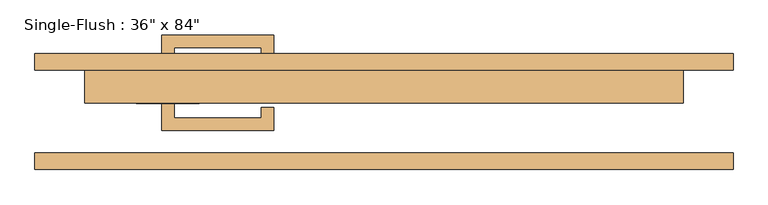
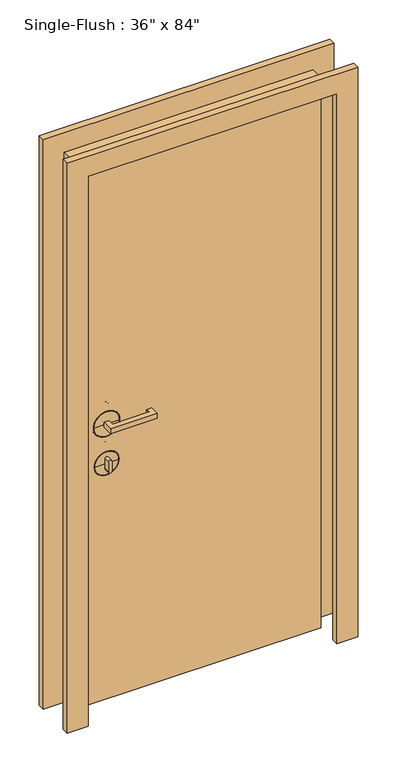
"""IFC4 building model written with IfcOpenShell, lengths in millimetres: door geometry."""

from ifc_helpers import new_model, si_unit, point, frame, frame_2d, origin, origin_with_axes, place, context, project, spatial, polyline, circle_curve, ellipse_curve, trimmed, segment, composite_curve, outline, extrude, source, transform, mapped, element, save
from ifc_brep_helpers import plane_surface, cylinder_surface, revolved_surface, advanced_brep


def door_73c35933(model_context):
    return source(origin(), model_context, "Body", "SolidModel", [
        extrude(outline(polyline([(-320.675, 12.7), (-320.675, -9.525), (-187.325, -9.525), (-187.325, 6.35), (-168.275, 6.35), (-168.275, -28.575), (-339.725, -28.575), (-339.725, 12.7), (-320.675, 12.7)])), frame((0.0, 0.0, 1057.275), z_axis=(0.0, 0.0, 1.0), x_axis=(1.0, 0.0, 0.0)), (0.0, 0.0, 1.0), 19.05),
        extrude(outline(composite_curve([segment(trimmed(circle_curve(frame_2d((895.35, -330.2)), 6.35), [point((895.35, -336.55))], [point((895.35, -323.85))], False, "CARTESIAN"), True, "CONTINUOUS"), segment(polyline([(895.35, -323.85), (933.45, -323.85)]), True, "CONTINUOUS"), segment(trimmed(circle_curve(frame_2d((933.45, -330.2)), 6.35), [point((933.45, -323.85))], [point((933.45, -336.55))], False, "CARTESIAN"), True, "CONTINUOUS"), segment(polyline([(933.45, -336.55), (895.35, -336.55)]), True, "CONTINUOUS")], self_intersect=False)), frame((0.0, -9.525, 0.0), z_axis=(0.0, 1.0, 0.0), x_axis=(0.0, 0.0, 1.0)), (0.0, 0.0, 1.0), 22.225),
        advanced_brep(
        [(-282.575, 15.875, 914.4), (-282.575, 25.4, 914.4), (-377.825, 25.4, 914.4), (-377.825, 15.875, 914.4), (-285.75, 12.7, 914.4), (-374.65, 12.7, 914.4), (-330.2, 12.7, 914.4), (-330.2, 25.4, 914.4)],
        [
            (0, 1),
            (1, 2, circle_curve(frame((-330.2, 25.4, 914.4), z_axis=(0.0, -1.0, 0.0), x_axis=(-1.0, 0.0, 0.0)), 47.625)),
            (2, 3),
            (3, 0, circle_curve(frame((-330.2, 15.875, 914.4), z_axis=(0.0, 1.0, 0.0), x_axis=(-1.0, 0.0, 0.0)), 47.625)),
            (2, 1, circle_curve(frame((-330.2, 25.4, 914.4), z_axis=(0.0, -1.0, 0.0), x_axis=(-1.0, 0.0, 0.0)), 47.625)),
            (0, 3, circle_curve(frame((-330.2, 15.875, 914.4), z_axis=(0.0, 1.0, 0.0), x_axis=(-1.0, 0.0, 0.0)), 47.625)),
            (4, 0, circle_curve(frame((-285.75, 15.875, 914.4), z_axis=(0.0, 0.0, 1.0), x_axis=(-1.0, 0.0, 0.0)), 3.175)),
            (3, 5, circle_curve(frame((-374.65, 15.875, 914.4), z_axis=(0.0, 0.0, 1.0), x_axis=(1.0, 0.0, 0.0)), 3.175)),
            (5, 4, circle_curve(frame((-330.2, 12.7, 914.4), z_axis=(0.0, 1.0, 0.0), x_axis=(-1.0, 0.0, 0.0)), 44.45)),
            (4, 5, circle_curve(frame((-330.2, 12.7, 914.4), z_axis=(0.0, 1.0, 0.0), x_axis=(-1.0, 0.0, 0.0)), 44.45)),
            (6, 4),
            (5, 6),
            (1, 7),
            (7, 2),
        ],
        [
            cylinder_surface(frame((-330.2, 152.4, 914.4), z_axis=(0.0, -1.0, 0.0), x_axis=(-1.0, 0.0, 0.0)), 47.625),
            revolved_surface(trimmed(ellipse_curve(frame((-374.65, 15.875, 914.4), z_axis=(0.0, 0.0, 1.0), x_axis=(1.0, 0.0, 0.0)), 3.175, 3.175), [point((-377.825, 15.875, 914.4))], [point((-374.65, 12.7, 914.4))], True, "CARTESIAN"), (-330.2, 152.4, 914.4), (0.0, -1.0, 0.0)),
            plane_surface(frame((-330.2, 12.7, 914.4), z_axis=(0.0, -1.0, 0.0), x_axis=(-1.0, 0.0, 0.0))),
            plane_surface(frame((-330.2, 25.4, 914.4), z_axis=(0.0, 1.0, 0.0), x_axis=(-1.0, 0.0, 0.0))),
        ],
        [
            (0, [[1, 2, 3, 4]]),
            (0, [[-3, 5, -1, 6]]),
            (1, [[7, -4, 8, 9]]),
            (1, [[-8, -6, -7, 10]]),
            (2, [[11, -9, 12]]),
            (2, [[-12, -10, -11]]),
            (3, [[13, 14, -2]]),
            (3, [[-14, -13, -5]]),
        ],
    ),
        advanced_brep(
        [(-279.4, 15.875, 1066.8), (-279.4, 25.4, 1066.8), (-381.0, 25.4, 1066.8), (-381.0, 15.875, 1066.8), (-282.575, 12.7, 1066.8), (-377.825, 12.7, 1066.8), (-330.2, 12.7, 1066.8), (-330.2, 25.4, 1066.8)],
        [
            (0, 1),
            (1, 2, circle_curve(frame((-330.2, 25.4, 1066.8), z_axis=(0.0, -1.0, 0.0), x_axis=(-1.0, 0.0, 0.0)), 50.8)),
            (2, 3),
            (3, 0, circle_curve(frame((-330.2, 15.875, 1066.8), z_axis=(0.0, 1.0, 0.0), x_axis=(-1.0, 0.0, 0.0)), 50.8)),
            (2, 1, circle_curve(frame((-330.2, 25.4, 1066.8), z_axis=(0.0, -1.0, 0.0), x_axis=(-1.0, 0.0, 0.0)), 50.8)),
            (0, 3, circle_curve(frame((-330.2, 15.875, 1066.8), z_axis=(0.0, 1.0, 0.0), x_axis=(-1.0, 0.0, 0.0)), 50.8)),
            (4, 0, circle_curve(frame((-282.575, 15.875, 1066.8), z_axis=(0.0, 0.0, 1.0), x_axis=(-1.0, 0.0, 0.0)), 3.175)),
            (3, 5, circle_curve(frame((-377.825, 15.875, 1066.8), z_axis=(0.0, 0.0, 1.0), x_axis=(1.0, 0.0, 0.0)), 3.175)),
            (5, 4, circle_curve(frame((-330.2, 12.7, 1066.8), z_axis=(0.0, 1.0, 0.0), x_axis=(-1.0, 0.0, 0.0)), 47.625)),
            (4, 5, circle_curve(frame((-330.2, 12.7, 1066.8), z_axis=(0.0, 1.0, 0.0), x_axis=(-1.0, 0.0, 0.0)), 47.625)),
            (6, 4),
            (5, 6),
            (1, 7),
            (7, 2),
        ],
        [
            cylinder_surface(frame((-330.2, 152.4, 1066.8), z_axis=(0.0, -1.0, 0.0), x_axis=(-1.0, 0.0, 0.0)), 50.8),
            revolved_surface(trimmed(ellipse_curve(frame((-377.825, 15.875, 1066.8), z_axis=(0.0, 0.0, 1.0), x_axis=(1.0, 0.0, 0.0)), 3.175, 3.175), [point((-381.0, 15.875, 1066.8))], [point((-377.825, 12.7, 1066.8))], True, "CARTESIAN"), (-330.2, 152.4, 1066.8), (0.0, -1.0, 0.0)),
            plane_surface(frame((-330.2, 12.7, 1066.8), z_axis=(0.0, -1.0, 0.0), x_axis=(-1.0, 0.0, 0.0))),
            plane_surface(frame((-330.2, 25.4, 1066.8), z_axis=(0.0, 1.0, 0.0), x_axis=(-1.0, 0.0, 0.0))),
        ],
        [
            (0, [[1, 2, 3, 4]]),
            (0, [[-3, 5, -1, 6]]),
            (1, [[7, -4, 8, 9]]),
            (1, [[-8, -6, -7, 10]]),
            (2, [[11, -9, 12]]),
            (2, [[-12, -10, -11]]),
            (3, [[13, 14, -2]]),
            (3, [[-14, -13, -5]]),
        ],
    ),
        extrude(outline(polyline([(-320.675, 76.2), (-339.725, 76.2), (-339.725, 117.475), (-168.275, 117.475), (-168.275, 82.55), (-187.325, 82.55), (-187.325, 98.425), (-320.675, 98.425), (-320.675, 76.2)])), frame((0.0, 0.0, 1057.275), z_axis=(0.0, 0.0, 1.0), x_axis=(1.0, 0.0, 0.0)), (0.0, 0.0, 1.0), 19.05),
        extrude(outline(composite_curve([segment(trimmed(circle_curve(frame_2d((895.35, -330.2)), 6.35), [point((895.35, -336.55))], [point((895.35, -323.85))], False, "CARTESIAN"), True, "CONTINUOUS"), segment(polyline([(895.35, -323.85), (933.45, -323.85)]), True, "CONTINUOUS"), segment(trimmed(circle_curve(frame_2d((933.45, -330.2)), 6.35), [point((933.45, -323.85))], [point((933.45, -336.55))], False, "CARTESIAN"), True, "CONTINUOUS"), segment(polyline([(933.45, -336.55), (895.35, -336.55)]), True, "CONTINUOUS")], self_intersect=False)), frame((0.0, 76.2, 0.0), z_axis=(0.0, 1.0, 0.0), x_axis=(0.0, 0.0, 1.0)), (0.0, 0.0, 1.0), 22.225),
        advanced_brep(
        [(-282.575, 73.025, 914.4), (-377.825, 73.025, 914.4), (-377.825, 63.5, 914.4), (-282.575, 63.5, 914.4), (-285.75, 76.2, 914.4), (-374.65, 76.2, 914.4), (-330.2, 76.2, 914.4), (-330.2, 63.5, 914.4)],
        [
            (0, 1, circle_curve(frame((-330.2, 73.025, 914.4), z_axis=(0.0, -1.0, 0.0), x_axis=(-1.0, 0.0, 0.0)), 47.625)),
            (1, 2),
            (2, 3, circle_curve(frame((-330.2, 63.5, 914.4), z_axis=(0.0, 1.0, 0.0), x_axis=(-1.0, 0.0, 0.0)), 47.625)),
            (3, 0),
            (1, 0, circle_curve(frame((-330.2, 73.025, 914.4), z_axis=(0.0, -1.0, 0.0), x_axis=(-1.0, 0.0, 0.0)), 47.625)),
            (3, 2, circle_curve(frame((-330.2, 63.5, 914.4), z_axis=(0.0, 1.0, 0.0), x_axis=(-1.0, 0.0, 0.0)), 47.625)),
            (4, 5, circle_curve(frame((-330.2, 76.2, 914.4), z_axis=(0.0, -1.0, 0.0), x_axis=(-1.0, 0.0, 0.0)), 44.45)),
            (5, 1, circle_curve(frame((-374.65, 73.025, 914.4), z_axis=(0.0, 0.0, 1.0), x_axis=(1.0, 0.0, 0.0)), 3.175)),
            (0, 4, circle_curve(frame((-285.75, 73.025, 914.4), z_axis=(0.0, 0.0, 1.0), x_axis=(-1.0, 0.0, 0.0)), 3.175)),
            (5, 4, circle_curve(frame((-330.2, 76.2, 914.4), z_axis=(0.0, -1.0, 0.0), x_axis=(-1.0, 0.0, 0.0)), 44.45)),
            (6, 5),
            (4, 6),
            (2, 7),
            (7, 3),
        ],
        [
            cylinder_surface(frame((-330.2, -63.5, 914.4), z_axis=(0.0, 1.0, 0.0), x_axis=(-1.0, 0.0, 0.0)), 47.625),
            revolved_surface(trimmed(ellipse_curve(frame((-374.65, 73.025, 914.4), z_axis=(0.0, 0.0, -1.0), x_axis=(1.0, 0.0, 0.0)), 3.175, 3.175), [point((-377.825, 73.025, 914.4))], [point((-374.65, 76.2, 914.4))], True, "CARTESIAN"), (-330.2, -63.5, 914.4), (0.0, 1.0, 0.0)),
            plane_surface(frame((-330.2, 76.2, 914.4), z_axis=(0.0, 1.0, 0.0), x_axis=(-1.0, 0.0, 0.0))),
            plane_surface(frame((-330.2, 63.5, 914.4), z_axis=(0.0, -1.0, 0.0), x_axis=(-1.0, 0.0, 0.0))),
        ],
        [
            (0, [[1, 2, 3, 4]]),
            (0, [[5, -4, 6, -2]]),
            (1, [[7, 8, -1, 9]]),
            (1, [[10, -9, -5, -8]]),
            (2, [[11, -7, 12]]),
            (2, [[-12, -10, -11]]),
            (3, [[-3, 13, 14]]),
            (3, [[-6, -14, -13]]),
        ],
    ),
        advanced_brep(
        [(-279.4, 73.025, 1066.8), (-381.0, 73.025, 1066.8), (-381.0, 63.5, 1066.8), (-279.4, 63.5, 1066.8), (-282.575, 76.2, 1066.8), (-377.825, 76.2, 1066.8), (-330.2, 76.2, 1066.8), (-330.2, 63.5, 1066.8)],
        [
            (0, 1, circle_curve(frame((-330.2, 73.025, 1066.8), z_axis=(0.0, -1.0, 0.0), x_axis=(-1.0, 0.0, 0.0)), 50.8)),
            (1, 2),
            (2, 3, circle_curve(frame((-330.2, 63.5, 1066.8), z_axis=(0.0, 1.0, 0.0), x_axis=(-1.0, 0.0, 0.0)), 50.8)),
            (3, 0),
            (1, 0, circle_curve(frame((-330.2, 73.025, 1066.8), z_axis=(0.0, -1.0, 0.0), x_axis=(-1.0, 0.0, 0.0)), 50.8)),
            (3, 2, circle_curve(frame((-330.2, 63.5, 1066.8), z_axis=(0.0, 1.0, 0.0), x_axis=(-1.0, 0.0, 0.0)), 50.8)),
            (4, 5, circle_curve(frame((-330.2, 76.2, 1066.8), z_axis=(0.0, -1.0, 0.0), x_axis=(-1.0, 0.0, 0.0)), 47.625)),
            (5, 1, circle_curve(frame((-377.825, 73.025, 1066.8), z_axis=(0.0, 0.0, 1.0), x_axis=(1.0, 0.0, 0.0)), 3.175)),
            (0, 4, circle_curve(frame((-282.575, 73.025, 1066.8), z_axis=(0.0, 0.0, 1.0), x_axis=(-1.0, 0.0, 0.0)), 3.175)),
            (5, 4, circle_curve(frame((-330.2, 76.2, 1066.8), z_axis=(0.0, -1.0, 0.0), x_axis=(-1.0, 0.0, 0.0)), 47.625)),
            (6, 5),
            (4, 6),
            (2, 7),
            (7, 3),
        ],
        [
            cylinder_surface(frame((-330.2, -63.5, 1066.8), z_axis=(0.0, 1.0, 0.0), x_axis=(-1.0, 0.0, 0.0)), 50.8),
            revolved_surface(trimmed(ellipse_curve(frame((-377.825, 73.025, 1066.8), z_axis=(0.0, 0.0, -1.0), x_axis=(1.0, 0.0, 0.0)), 3.175, 3.175), [point((-381.0, 73.025, 1066.8))], [point((-377.825, 76.2, 1066.8))], True, "CARTESIAN"), (-330.2, -63.5, 1066.8), (0.0, 1.0, 0.0)),
            plane_surface(frame((-330.2, 76.2, 1066.8), z_axis=(0.0, 1.0, 0.0), x_axis=(-1.0, 0.0, 0.0))),
            plane_surface(frame((-330.2, 63.5, 1066.8), z_axis=(0.0, -1.0, 0.0), x_axis=(-1.0, 0.0, 0.0))),
        ],
        [
            (0, [[1, 2, 3, 4]]),
            (0, [[5, -4, 6, -2]]),
            (1, [[7, 8, -1, 9]]),
            (1, [[10, -9, -5, -8]]),
            (2, [[11, -7, 12]]),
            (2, [[-12, -10, -11]]),
            (3, [[-3, 13, 14]]),
            (3, [[-6, -14, -13]]),
        ],
    ),
        extrude(outline(polyline([(2209.8, -533.4), (0.0, -533.4), (0.0, -457.2), (2133.6, -457.2), (2133.6, 457.2), (0.0, 457.2), (0.0, 533.4), (2209.8, 533.4), (2209.8, -533.4)])), frame((0.0, 63.5, 0.0), z_axis=(0.0, 1.0, 0.0), x_axis=(0.0, 0.0, 1.0)), (0.0, 0.0, 1.0), 25.4),
        extrude(outline(polyline([(2209.8, 533.4), (2209.8, -533.4), (0.0, -533.4), (0.0, -457.2), (2133.6, -457.2), (2133.6, 457.2), (0.0, 457.2), (0.0, 533.4), (2209.8, 533.4)])), frame((0.0, -88.9, 0.0), z_axis=(0.0, 1.0, 0.0), x_axis=(0.0, 0.0, 1.0)), (0.0, 0.0, 1.0), 25.4),
        extrude(outline(polyline([(457.2, 12.7), (-457.2, 12.7), (-457.2, 63.5), (457.2, 63.5), (457.2, 12.7)])), origin_with_axes(), (0.0, 0.0, 1.0), 2133.6),
    ])


if __name__ == "__main__":
    model = new_model("IFC4")
    model_context = context("Model", 3, world=origin())
    ifc_project = project(units=[si_unit("LENGTHUNIT", "METRE", prefix="MILLI")], contexts=[model_context])
    site = spatial("IfcSite", under=ifc_project)
    building = spatial("IfcBuilding", under=site)
    placement = place(None, origin())
    door_shape = door_73c35933(model_context)
    element("IfcDoor", 1, ObjectType="Single-Flush : 36\" x 84\"", at=placement, inside=building, context=model_context, shape_type="MappedRepresentation", body=[
        mapped(door_shape, transform((0.0, 0.0, 0.0), x_axis=(1.0, 0.0, 0.0), y_axis=(0.0, 1.0, 0.0), z_axis=(0.0, 0.0, 1.0))),
    ])
    save(model, "model.ifc")
